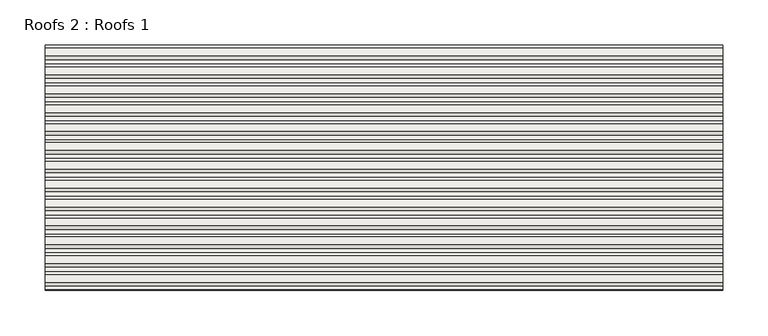
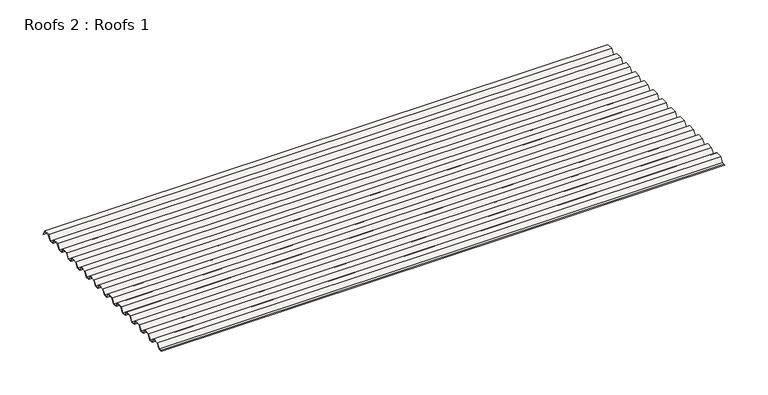
"""IFC4 building model written with IfcOpenShell, lengths in millimetres: roof geometry, Roofs 2 : Roofs 1."""

from ifc_helpers import new_model, si_unit, frame, origin, place, context, project, spatial, polyline, outline, extrude, source, transform, mapped, element, save


def roofs_2_roofs_1_38318394(model_context):
    return source(origin(), model_context, "Body", "SweptSolid", [
        extrude(outline(polyline([(-9498.8136811, 125.4967546), (-9504.1340331, 125.4967546), (-9502.6524582, 125.8936296), (-9499.0291486, 125.8936296), (-9494.907277, 132.239777), (-9486.2475422, 132.239777), (-9483.0145815, 125.8936296), (-9478.1529215, 125.8936296), (-9474.03105, 132.239777), (-9465.3713152, 132.239777), (-9462.1383544, 125.8936296), (-9457.2766945, 125.8936296), (-9453.1548229, 132.239777), (-9444.4950881, 132.239777), (-9441.2621273, 125.8936296), (-9436.4004674, 125.8936296), (-9432.2785958, 132.239777), (-9423.618861, 132.239777), (-9420.3859003, 125.8936296), (-9415.5242403, 125.8936296), (-9411.4023688, 132.239777), (-9402.742634, 132.239777), (-9399.5096732, 125.8936296), (-9394.6480132, 125.8936296), (-9390.5261417, 132.239777), (-9381.8664069, 132.239777), (-9378.6334461, 125.8936296), (-9373.7717862, 125.8936296), (-9369.6499146, 132.239777), (-9360.9901798, 132.239777), (-9357.7572191, 125.8936296), (-9352.8955591, 125.8936296), (-9348.7736876, 132.239777), (-9340.1139528, 132.239777), (-9336.880992, 125.8936296), (-9332.019332, 125.8936296), (-9327.8974605, 132.239777), (-9319.2377257, 132.239777), (-9316.0047649, 125.8936296), (-9311.143105, 125.8936296), (-9307.0212334, 132.239777), (-9298.3614986, 132.239777), (-9295.1285378, 125.8936296), (-9290.2668779, 125.8936296), (-9286.1450063, 132.239777), (-9277.4852716, 132.239777), (-9274.2523108, 125.8936296), (-9269.3906508, 125.8936296), (-9265.2687793, 132.239777), (-9256.6090445, 132.239777), (-9253.3760837, 125.8936296), (-9248.5144238, 125.8936296), (-9244.3925522, 132.239777), (-9235.7328174, 132.239777), (-9232.7757887, 126.4352711), (-9232.7430812, 125.4967546), (-9235.9760419, 131.842902), (-9244.1770848, 131.842902), (-9248.2989563, 125.4967546), (-9253.6193082, 125.4967546), (-9256.852269, 131.842902), (-9265.0533118, 131.842902), (-9269.1751834, 125.4967546), (-9274.4955353, 125.4967546), (-9277.7284961, 131.842902), (-9285.9295389, 131.842902), (-9290.0514104, 125.4967546), (-9295.3717624, 125.4967546), (-9298.6047232, 131.842902), (-9306.805766, 131.842902), (-9310.9276375, 125.4967546), (-9316.2479894, 125.4967546), (-9319.4809502, 131.842902), (-9327.681993, 131.842902), (-9331.8038646, 125.4967546), (-9337.1242165, 125.4967546), (-9340.3571773, 131.842902), (-9348.5582201, 131.842902), (-9352.6800917, 125.4967546), (-9358.0004436, 125.4967546), (-9361.2334044, 131.842902), (-9369.4344472, 131.842902), (-9373.5563187, 125.4967546), (-9378.8766707, 125.4967546), (-9382.1096314, 131.842902), (-9390.3106742, 131.842902), (-9394.4325458, 125.4967546), (-9399.7528977, 125.4967546), (-9402.9858585, 131.842902), (-9411.1869013, 131.842902), (-9415.3087729, 125.4967546), (-9420.6291248, 125.4967546), (-9423.8620856, 131.842902), (-9432.0631284, 131.842902), (-9436.1849999, 125.4967546), (-9441.5053519, 125.4967546), (-9444.7383126, 131.842902), (-9452.9393554, 131.842902), (-9457.061227, 125.4967546), (-9462.3815789, 125.4967546), (-9465.6145397, 131.842902), (-9473.8155825, 131.842902), (-9477.9374541, 125.4967546), (-9483.257806, 125.4967546), (-9486.4907668, 131.842902), (-9494.6918096, 131.842902), (-9498.8136811, 125.4967546)])), frame((-2537.9542149, 0.0, 0.0), z_axis=(1.0, 0.0, 0.0), x_axis=(0.0, 1.0, 0.0)), (0.0, 0.0, 1.0), 748.3288715),
    ])


if __name__ == "__main__":
    model = new_model("IFC4")
    model_context = context("Model", 3, world=origin())
    ifc_project = project(units=[si_unit("LENGTHUNIT", "METRE", prefix="MILLI")], contexts=[model_context])
    site = spatial("IfcSite", under=ifc_project)
    building = spatial("IfcBuilding", under=site)
    placement = place(None, origin())
    roofs_2_roofs_1_shape = roofs_2_roofs_1_38318394(model_context)
    element("IfcRoof", 1, ObjectType="Roofs 2 : Roofs 1", at=placement, inside=building, context=model_context, shape_type="MappedRepresentation", body=[
        mapped(roofs_2_roofs_1_shape, transform((0.0, 0.0, 0.0), x_axis=(1.0, 0.0, 0.0), y_axis=(0.0, 1.0, 0.0), z_axis=(0.0, 0.0, 1.0))),
    ])
    save(model, "model.ifc")
